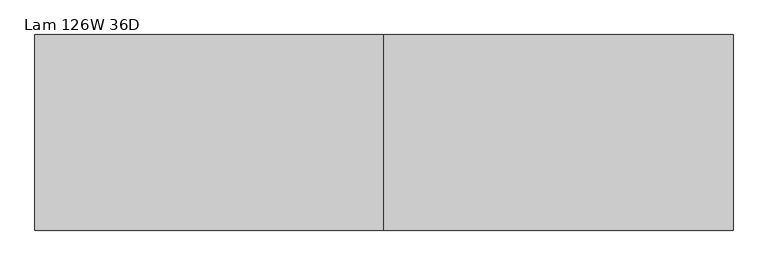
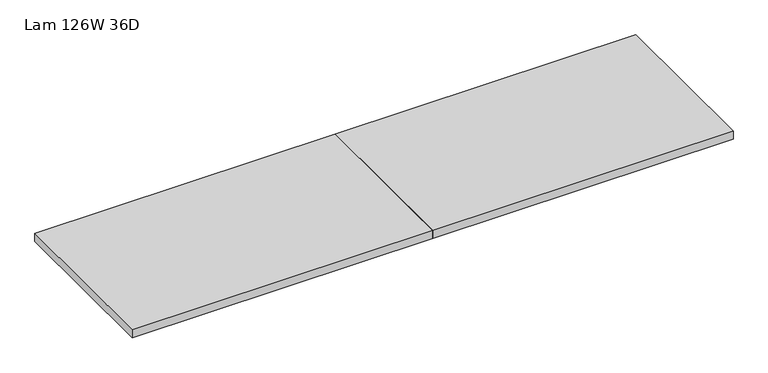
"""IFC4 building model written with IfcOpenShell, lengths in millimetres: furniture geometry, Lam 126W 36D."""

from ifc_helpers import new_model, si_unit, frame, origin, place, context, project, spatial, polyline, outline, extrude, source, transform, mapped, element, save


def lam_126w_36d_050489b7(model_context):
    return source(origin(), model_context, "Body", "SweptSolid", [
        extrude(outline(polyline([(3290.57, 457.2), (3290.57, -457.2), (1658.62, -457.2), (1658.62, 457.2), (3290.57, 457.2)])), frame((0.0, 0.0, 666.75), z_axis=(0.0, 0.0, 1.0), x_axis=(1.0, 0.0, 0.0)), (0.0, 0.0, 1.0), 44.704),
        extrude(outline(polyline([(1658.62, 457.2), (1658.62, -457.2), (26.67, -457.2), (26.67, 457.2), (1658.62, 457.2)])), frame((0.0, 0.0, 666.75), z_axis=(0.0, 0.0, 1.0), x_axis=(1.0, 0.0, 0.0)), (0.0, 0.0, 1.0), 44.704),
    ])


if __name__ == "__main__":
    model = new_model("IFC4")
    model_context = context("Model", 3, world=origin())
    ifc_project = project(units=[si_unit("LENGTHUNIT", "METRE", prefix="MILLI")], contexts=[model_context])
    site = spatial("IfcSite", under=ifc_project)
    building = spatial("IfcBuilding", under=site)
    placement = place(None, origin())
    lam_126w_36d_shape = lam_126w_36d_050489b7(model_context)
    element("IfcFurniture", 1, ObjectType="Lam 126W 36D", at=placement, inside=building, context=model_context, shape_type="MappedRepresentation", body=[
        mapped(lam_126w_36d_shape, transform((0.0, 0.0, 0.0), x_axis=(1.0, 0.0, 0.0), y_axis=(0.0, 1.0, 0.0), z_axis=(0.0, 0.0, 1.0))),
    ])
    save(model, "model.ifc")
